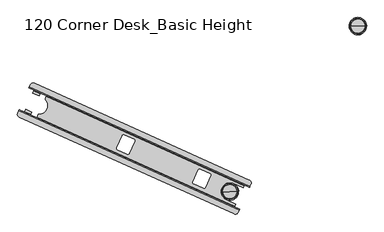
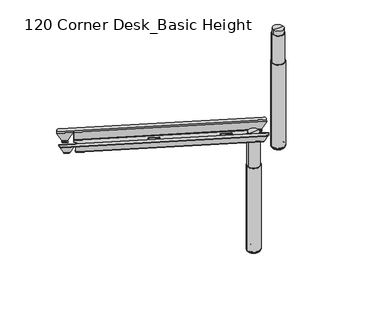
"""IFC4 building model written with IfcOpenShell, lengths in millimetres: furniture geometry, 120 Corner Desk_Basic Height."""

from ifc_helpers import new_model, si_unit, point, frame, origin, place, context, project, spatial, polyline, circle_curve, ellipse_curve, trimmed, source, transform, mapped, element, save
from ifc_brep_helpers import plane_surface, cylinder_surface, revolved_surface, advanced_brep


def furniture_120_corner_desk_basic_height_876c8990(model_context):
    return source(origin(), model_context, "Body", "AdvancedBrep", [
        advanced_brep(
        [(152.5074681, -221.3662878, 698.6714043), (156.1827463, -213.208009, 698.6714043), (156.1827463, -213.208009, 695.6719265), (152.5074681, -221.3662878, 695.6719265), (151.6728418, -223.2189677, 693.6399265), (151.6728418, -223.2189677, 689.0971902), (150.4453506, -225.943718, 689.0971902), (150.4453506, -225.943718, 693.6399265), (110.4369016, -314.7533439, 693.6399265), (110.4369016, -314.7533439, 689.0971902), (109.2094105, -317.4780942, 689.0971902), (109.2094105, -317.4780942, 693.6399265), (108.3747841, -319.3307741, 695.6719265), (104.6994573, -327.489161, 695.6719265), (104.6994573, -327.489161, 698.6714043), (108.3747841, -319.3307741, 698.6714043), (1048.6649841, -625.0823475, 695.6719265), (1052.3402623, -616.9240687, 695.6719265), (1052.3402623, -616.9240687, 698.6714043), (1048.6649841, -625.0823475, 698.6714043), (1046.6028666, -629.6597777, 693.6399265), (1046.6028666, -629.6597777, 689.0971902), (1047.8303578, -626.9350274, 689.0971902), (1047.8303578, -626.9350274, 693.6399265), (1005.3669265, -721.1941539, 693.6399265), (1005.3669265, -721.1941539, 689.0971902), (1006.5944177, -718.4694036, 689.0971902), (1006.5944177, -718.4694036, 693.6399265), (1004.5323002, -723.0468338, 698.6714043), (1000.8569733, -731.2052207, 698.6714043), (1000.8569733, -731.2052207, 695.6719265), (1004.5323002, -723.0468338, 695.6719265), (172.9784101, -206.8451738, 695.6719265), (1045.8964031, -600.0919036, 695.6719265), (224.2841767, -253.7014626, 695.6719265), (226.0440324, -249.7949849, 695.6719265), (225.2879288, -249.4543627, 695.6719265), (223.5280731, -253.3608404, 695.6719265), (179.3953854, -351.325325, 695.6719265), (177.635481, -355.2319108, 695.6719265), (178.3915846, -355.5725331, 695.6719265), (180.151489, -351.6659473, 695.6719265), (984.0613093, -737.5680558, 695.6719265), (111.0622924, -344.284825, 695.6719265), (111.0622924, -344.284825, 698.6714043), (984.0613093, -737.5680558, 698.6714043), (1045.8964031, -600.0919036, 698.6714043), (172.9784101, -206.8451738, 698.6714043), (220.3849808, -257.451295, 693.6399265), (222.7856715, -257.0278019, 697.0932388), (222.222059, -258.2788928, 693.6399265), (170.3627419, -234.9164383, 651.2602168), (197.8400055, -247.2948566, 651.2602168), (222.222059, -258.2788928, 651.2602168), (1026.6854753, -620.6870574, 651.2602168), (170.832117, -235.3746213, 650.1930164), (170.1185421, -237.657556, 648.6513268), (195.9353789, -249.2879574, 648.6513268), (197.1799507, -247.2441877, 650.1931133), (221.1543278, -260.6490122, 648.6513268), (1024.7942127, -622.6861787, 648.6513268), (1026.0313015, -620.6390853, 650.1930164), (166.0339233, -246.7244777, 648.6513268), (191.8507602, -258.354878, 648.6513268), (162.1469247, -324.290607, 648.6513268), (136.3300903, -312.6602079, 648.6513268), (132.2455555, -321.7269429, 648.6513268), (158.0623891, -333.3573428, 648.6513268), (183.2813379, -344.7183976, 648.6513268), (986.9212261, -706.7555655, 648.6513268), (991.0057609, -697.6888306, 648.6513268), (951.4849425, -679.884828, 648.6513268), (981.188778, -613.949099, 648.6513268), (1020.7095939, -631.7531004, 648.6513268), (216.1211192, -271.8215854, 648.6513268), (188.3144634, -333.546009, 648.6513268), (557.470799, -491.9835454, 648.6513268), (550.7525333, -494.5286792, 648.6513268), (509.9197479, -476.1336397, 648.6513268), (507.3746141, -469.415374, 648.6513268), (529.8219375, -419.5874441, 648.6513268), (536.5402032, -417.0423104, 648.6513268), (577.3729886, -435.4373499, 648.6513268), (579.9181224, -442.1556156, 648.6513268), (866.7635816, -631.3189569, 648.6513268), (860.0453159, -633.8640907, 648.6513268), (819.2125305, -615.4690512, 648.6513268), (816.6673967, -608.7507855, 648.6513268), (839.11472, -558.9228556, 648.6513268), (845.8329857, -556.3777218, 648.6513268), (886.6657712, -574.7727613, 648.6513268), (889.210905, -581.491027, 648.6513268), (157.3562616, -335.6436799, 650.1931133), (131.0084668, -323.7740363, 650.1930164), (130.3542929, -323.7260642, 651.2602168), (157.8315531, -336.1044809, 651.2602168), (182.2136067, -347.0885171, 651.2602168), (986.6770264, -709.4966833, 651.2602168), (986.2076512, -709.0385003, 650.1930164), (182.2136067, -347.0885171, 693.6399265), (180.3765285, -346.2609193, 693.6399265), (181.6499943, -348.339608, 697.0932388), (180.9861154, -349.8132674, 693.6399265), (179.1490372, -348.9856696, 693.6399265), (129.1268017, -326.4508144, 651.2602168), (156.6040618, -338.8292312, 651.2602168), (180.9861154, -349.8132674, 651.2602168), (985.4495352, -712.2214336, 651.2602168), (129.7308226, -326.6101148, 650.1930164), (132.751366, -321.9548089, 645.6722168), (157.5421859, -333.122993, 645.6722168), (156.0786273, -338.4797362, 650.1931133), (183.2813379, -344.7183976, 645.6722168), (986.4154157, -706.5276996, 645.6722168), (984.9300071, -711.8745787, 650.1930164), (136.8359008, -312.8880739, 645.6722168), (161.6267214, -324.0562572, 645.6722168), (191.3305569, -258.1205281, 645.6722168), (166.5397337, -246.9523437, 645.6722168), (170.6243526, -237.885422, 645.6722168), (195.4151757, -249.0536076, 645.6722168), (221.1543278, -260.6490122, 645.6722168), (1024.2884023, -622.4583127, 645.6722168), (1020.2037834, -631.5252344, 645.6722168), (981.188778, -613.949099, 645.6722168), (951.4849425, -679.884828, 645.6722168), (990.4999504, -697.4609646, 645.6722168), (188.3144634, -333.546009, 645.6722168), (216.1211192, -271.8215854, 645.6722168), (579.9181224, -442.1556156, 645.6722168), (577.3729886, -435.4373499, 645.6722168), (536.5402032, -417.0423104, 645.6722168), (529.8219375, -419.5874441, 645.6722168), (507.3746141, -469.415374, 645.6722168), (509.9197479, -476.1336397, 645.6722168), (550.7525333, -494.5286792, 645.6722168), (557.470799, -491.9835454, 645.6722168), (889.210905, -581.491027, 645.6722168), (886.6657712, -574.7727613, 645.6722168), (845.8329857, -556.3777218, 645.6722168), (839.11472, -558.9228556, 645.6722168), (816.6673967, -608.7507855, 645.6722168), (819.2125305, -615.4690512, 645.6722168), (860.0453159, -633.8640907, 645.6722168), (866.7635816, -631.3189569, 645.6722168), (198.457585, -244.4081315, 650.1931133), (172.1097612, -232.5385429, 650.1930164), (171.590233, -232.191688, 651.2602168), (199.0674967, -244.5701063, 651.2602168), (223.4495503, -255.5541425, 651.2602168), (1027.9129665, -617.9623071, 651.2602168), (1027.3089457, -617.8030068, 650.1930164), (223.4495503, -255.5541425, 693.6399265), (221.6124721, -254.7265447, 693.6399265), (178.3915846, -355.5725331, 697.0932388), (226.0440324, -249.7949849, 697.0932388)],
        [
            (0, 1),
            (1, 2),
            (2, 3),
            (3, 4, circle_curve(frame((152.5074681, -221.3662878, 693.6399265), z_axis=(0.9117519339151808, -0.4107412944931736, 0.0), x_axis=(0.4107412944931736, 0.9117519339151808, 0.0)), 2.032)),
            (4, 5),
            (5, 6),
            (6, 7),
            (7, 0, circle_curve(frame((152.5119912, -221.3562474, 693.6399265), z_axis=(-0.9117519339151808, 0.4107412944931736, 0.0), x_axis=(0.4107412944931736, 0.9117519339151808, 0.0)), 5.0314898)),
            (8, 9),
            (9, 10),
            (10, 11),
            (11, 12, circle_curve(frame((108.3747841, -319.3307741, 693.6399265), z_axis=(0.9117519339151808, -0.4107412944931736, 0.0), x_axis=(0.4107412944931736, 0.9117519339151808, 0.0)), 2.032)),
            (12, 13),
            (13, 14),
            (14, 15),
            (15, 8, circle_curve(frame((108.370261, -319.3408145, 693.6399265), z_axis=(-0.9117519339151808, 0.4107412944931736, 0.0), x_axis=(0.4107412944931736, 0.9117519339151808, 0.0)), 5.0314898)),
            (16, 17),
            (17, 18),
            (18, 19),
            (19, 20, circle_curve(frame((1048.6695073, -625.0723071, 693.6399265), z_axis=(0.9117519339151808, -0.4107412944931736, 0.0), x_axis=(0.4107412944931736, 0.9117519339151808, 0.0)), 5.0314898)),
            (20, 21),
            (21, 22),
            (22, 23),
            (23, 16, circle_curve(frame((1048.6649841, -625.0823475, 693.6399265), z_axis=(-0.9117519339151808, 0.4107412944931736, 0.0), x_axis=(0.4107412944931736, 0.9117519339151808, 0.0)), 2.032)),
            (24, 25),
            (25, 26),
            (26, 27),
            (27, 28, circle_curve(frame((1004.527777, -723.0568742, 693.6399265), z_axis=(0.9117519339151808, -0.4107412944931736, 0.0), x_axis=(0.4107412944931736, 0.9117519339151808, 0.0)), 5.0314898)),
            (28, 29),
            (29, 30),
            (30, 31),
            (31, 24, circle_curve(frame((1004.5323002, -723.0468338, 693.6399265), z_axis=(-0.9117519339151808, 0.4107412944931736, 0.0), x_axis=(0.4107412944931736, 0.9117519339151808, 0.0)), 2.032)),
            (2, 32, circle_curve(frame((167.7619957, -218.4244233, 695.6719265), z_axis=(0.0, 0.0, -1.0), x_axis=(0.9968812328975415, 0.07891645897199012, 0.0)), 12.7)),
            (32, 33),
            (33, 17, circle_curve(frame((1040.6799887, -611.6711532, 695.6719265), z_axis=(0.0, 0.0, -1.0), x_axis=(0.9968812328975415, 0.07891645897199012, 0.0)), 12.7)),
            (16, 34),
            (34, 35),
            (35, 36),
            (36, 37),
            (37, 3),
            (38, 39),
            (39, 40),
            (40, 41),
            (41, 31),
            (30, 42, circle_curve(frame((989.2777237, -725.9888062, 695.6719265), z_axis=(0.0, 0.0, -1.0), x_axis=(0.9968812328975419, 0.07891645897198368, 0.0)), 12.7)),
            (42, 43),
            (43, 13, circle_curve(frame((116.2787068, -332.7055754, 695.6719265), z_axis=(0.0, 0.0, -1.0), x_axis=(0.9968812328975419, 0.07891645897198368, 0.0)), 12.7)),
            (12, 38),
            (14, 44, circle_curve(frame((116.2787068, -332.7055754, 698.6714043), z_axis=(0.0, 0.0, 1.0), x_axis=(0.9968812328975419, 0.07891645897198368, 0.0)), 12.7)),
            (44, 45),
            (45, 29, circle_curve(frame((989.2777237, -725.9888062, 698.6714043), z_axis=(0.0, 0.0, 1.0), x_axis=(0.9968812328975419, 0.07891645897198368, 0.0)), 12.7)),
            (28, 15),
            (18, 46, circle_curve(frame((1040.6799887, -611.6711532, 698.6714043), z_axis=(0.0, 0.0, 1.0), x_axis=(0.9968812328975415, 0.07891645897199012, 0.0)), 12.7)),
            (46, 47),
            (47, 1, circle_curve(frame((167.7619957, -218.4244233, 698.6714043), z_axis=(0.0, 0.0, 1.0), x_axis=(0.9968812328975415, 0.07891645897199012, 0.0)), 12.7)),
            (0, 19),
            (7, 48),
            (48, 49, ellipse_curve(frame((222.4516216, -252.8638245, 693.6399265), z_axis=(-0.7875068062240813, 0.3547693028906139, 0.5039561209840149), x_axis=(-0.4594829911420227, 0.2069955379433077, -0.8637292562619033)), 5.825309, 5.0314898)),
            (49, 50, circle_curve(frame((224.2886997, -253.6914222, 693.6399265), z_axis=(0.9117519339151808, -0.4107412944931736, 0.0), x_axis=(0.4107412944931736, 0.9117519339151808, 0.0)), 5.0314898)),
            (50, 20),
            (6, 51),
            (51, 52),
            (52, 48),
            (50, 53),
            (53, 54),
            (54, 21),
            (51, 55, ellipse_curve(frame((169.2999329, -237.2887753, 651.250866), z_axis=(-0.7896003367201478, 0.3557123954143953, -0.4999999999999821), x_axis=(0.45587596695757215, -0.20537064724658396, -0.866025403784449)), 3.0016893, 2.5995392)),
            (55, 56, ellipse_curve(frame((169.6771774, -237.4587227, 651.250866), z_axis=(-0.8963428695003585, 0.4037995608601031, -0.18307204850837175), x_axis=(0.16691629427331295, -0.07519525018986079, -0.9830994990614881)), 2.6442279, 2.5995392)),
            (56, 57),
            (57, 58, ellipse_curve(frame((196.3893027, -249.4924486, 651.250866), z_axis=(0.8954771252473509, -0.40340958702533053, -0.1880995036006008), x_axis=(0.1715001666378758, -0.07726005499618337, 0.9821499767067999)), 2.6467843, 2.5995392)),
            (58, 52, ellipse_curve(frame((196.7672998, -249.6627351, 651.250866), z_axis=(0.7875068062240813, -0.3547693028906139, -0.5039561209840149), x_axis=(0.4594829911420227, -0.2069955379433077, 0.8637292562619033)), 3.009669, 2.5995392)),
            (59, 60),
            (60, 61, ellipse_curve(frame((1025.2355775, -622.8850121, 651.250866), z_axis=(0.896342869500359, -0.4037995608601001, -0.1830720485083751), x_axis=(0.16691629427331048, -0.075195250189877, 0.9830994990614875)), 2.6442279, 2.5995392)),
            (61, 54, ellipse_curve(frame((1025.6128219, -623.0549595, 651.250866), z_axis=(0.789600336720151, -0.3557123954143941, -0.49999999999997835), x_axis=(0.4558759669575663, -0.20537064724658588, 0.8660254037844516)), 3.0016893, 2.5995392)),
            (53, 59, circle_curve(frame((221.1543279, -260.6490123, 651.250866), z_axis=(-0.9117519339151808, 0.4107412944931736, 0.0), x_axis=(0.4107412944931736, 0.9117519339151808, 0.0)), 2.5995392)),
            (56, 62),
            (62, 63),
            (63, 57),
            (64, 65),
            (65, 66),
            (66, 67),
            (67, 64),
            (68, 69),
            (69, 70),
            (70, 71),
            (71, 72, circle_curve(frame((966.3368603, -646.9169635, 648.6513268), z_axis=(0.0, 0.0, -1.0), x_axis=(0.9968812328975419, 0.07891645897198368, 0.0)), 36.1588101)),
            (72, 73),
            (73, 60),
            (59, 74),
            (74, 75, circle_curve(frame((190.6245185, -297.4610649, 648.6513268), z_axis=(0.0, 0.0, -1.0), x_axis=(-0.6014092278380982, 0.7989411371754384, 0.0)), 36.1588101)),
            (75, 68),
            (76, 77, circle_curve(frame((552.8390992, -489.8969795, 648.6513268), z_axis=(0.0, 0.0, -1.0), x_axis=(0.9968812328975419, 0.07891645897198368, 0.0)), 5.08)),
            (77, 78),
            (78, 79, circle_curve(frame((512.0063138, -471.50194, 648.6513268), z_axis=(0.0, 0.0, -1.0), x_axis=(0.9968812328975419, 0.07891645897198368, 0.0)), 5.08)),
            (79, 80),
            (80, 81, circle_curve(frame((534.4536372, -421.6740101, 648.6513268), z_axis=(0.0, 0.0, -1.0), x_axis=(0.9968812328975419, 0.07891645897198368, 0.0)), 5.08)),
            (81, 82),
            (82, 83, circle_curve(frame((575.2864226, -440.0690496, 648.6513268), z_axis=(0.0, 0.0, -1.0), x_axis=(0.9968812328975419, 0.07891645897198368, 0.0)), 5.08)),
            (83, 76),
            (84, 85, circle_curve(frame((862.1318818, -629.2323909, 648.6513268), z_axis=(0.0, 0.0, -1.0), x_axis=(0.9968812328975419, 0.07891645897198368, 0.0)), 5.08)),
            (85, 86),
            (86, 87, circle_curve(frame((821.2990964, -610.8373514, 648.6513268), z_axis=(0.0, 0.0, -1.0), x_axis=(0.9968812328975419, 0.07891645897198368, 0.0)), 5.08)),
            (87, 88),
            (88, 89, circle_curve(frame((843.7464198, -561.0094216, 648.6513268), z_axis=(0.0, 0.0, -1.0), x_axis=(0.9968812328975419, 0.07891645897198368, 0.0)), 5.08)),
            (89, 90),
            (90, 91, circle_curve(frame((884.5792052, -579.4044611, 648.6513268), z_axis=(0.0, 0.0, -1.0), x_axis=(0.9968812328975419, 0.07891645897198368, 0.0)), 5.08)),
            (91, 84),
            (92, 67, ellipse_curve(frame((158.5163129, -333.561834, 651.250866), z_axis=(0.8954771252473509, -0.40340958702533053, -0.1880995036006008), x_axis=(0.1715001666378758, -0.07726005499618337, 0.9821499767067999)), 2.6467843, 2.5995392)),
            (66, 93, ellipse_curve(frame((131.8041908, -321.5281095, 651.250866), z_axis=(-0.8963428695003585, 0.4037995608601031, -0.18307204850837175), x_axis=(0.16691629427331295, -0.07519525018986079, -0.9830994990614881)), 2.6442279, 2.5995392)),
            (93, 94, ellipse_curve(frame((131.4269463, -321.3581621, 651.250866), z_axis=(-0.7896003367201478, 0.3557123954143953, -0.4999999999999821), x_axis=(0.45587596695757215, -0.20537064724658396, -0.866025403784449)), 3.0016893, 2.5995392)),
            (94, 95),
            (95, 92, ellipse_curve(frame((158.89431, -333.7321205, 651.250866), z_axis=(0.7875068062240813, -0.3547693028906139, -0.5039561209840149), x_axis=(0.4594829911420227, -0.2069955379433077, 0.8637292562619033)), 3.009669, 2.5995392)),
            (96, 97),
            (97, 98, ellipse_curve(frame((987.7398353, -707.1243463, 651.250866), z_axis=(0.789600336720151, -0.3557123954143941, -0.49999999999997835), x_axis=(0.4558759669575663, -0.20537064724658588, 0.8660254037844516)), 3.0016893, 2.5995392)),
            (98, 69, ellipse_curve(frame((987.3625908, -706.9543989, 651.250866), z_axis=(0.896342869500359, -0.4037995608601001, -0.1830720485083751), x_axis=(0.16691629427331048, -0.075195250189877, 0.9830994990614875)), 2.6442279, 2.5995392)),
            (68, 96, circle_curve(frame((183.2813379, -344.7183976, 651.250866), z_axis=(-0.9117519339151808, 0.4107412944931736, 0.0), x_axis=(0.4107412944931736, 0.9117519339151808, 0.0)), 2.5995392)),
            (26, 97),
            (96, 99),
            (99, 27),
            (100, 95),
            (94, 9),
            (8, 100),
            (99, 101, circle_curve(frame((180.146966, -351.6759877, 693.6399265), z_axis=(0.9117519339151808, -0.4107412944931736, 0.0), x_axis=(0.4107412944931736, 0.9117519339151808, 0.0)), 5.0314898)),
            (101, 100, ellipse_curve(frame((178.3098876, -350.8483898, 693.6399265), z_axis=(-0.7875068062240813, 0.3547693028906139, 0.5039561209840149), x_axis=(-0.4594829911420227, 0.2069955379433077, -0.8637292562619033)), 5.825309, 5.0314898)),
            (41, 102, circle_curve(frame((180.151489, -351.6659473, 693.6399265), z_axis=(-0.9117519339151808, 0.4107412944931736, 0.0), x_axis=(0.4107412944931736, 0.9117519339151808, 0.0)), 2.032)),
            (102, 24),
            (11, 103),
            (103, 38, ellipse_curve(frame((178.3144108, -350.8383495, 693.6399265), z_axis=(0.7875068062240813, -0.3547693028906139, -0.5039561209840149), x_axis=(0.4594829911420227, -0.2069955379433077, 0.8637292562619033)), 2.3525891, 2.032)),
            (10, 104),
            (104, 105),
            (105, 103),
            (102, 106),
            (106, 107),
            (107, 25),
            (104, 108, ellipse_curve(frame((131.4220241, -321.3559446, 651.2602168), z_axis=(0.7896003367201478, -0.3557123954143953, 0.4999999999999821), x_axis=(-0.45587596695757215, 0.20537064724658396, 0.866025403784449)), 6.4524666, 5.588)),
            (108, 109, ellipse_curve(frame((131.8026032, -321.5273943, 651.2602168), z_axis=(0.8963428695003585, -0.4037995608601031, 0.18307204850837175), x_axis=(-0.16691629427331295, 0.07519525018986079, 0.9830994990614881)), 5.6840635, 5.588)),
            (109, 110),
            (110, 111, ellipse_curve(frame((158.5179457, -333.5625696, 651.2602168), z_axis=(-0.8954771252473509, 0.40340958702533053, 0.1880995036006008), x_axis=(-0.1715001666378758, 0.07726005499618337, -0.9821499767067999)), 5.6895588, 5.588)),
            (111, 105, ellipse_curve(frame((158.8992844, -333.7343614, 651.2602168), z_axis=(-0.7875068062240813, 0.3547693028906139, 0.5039561209840149), x_axis=(-0.4594829911420227, 0.2069955379433077, -0.8637292562619033)), 6.4696199, 5.588)),
            (112, 113),
            (113, 114, ellipse_curve(frame((987.3641785, -706.9551141, 651.2602168), z_axis=(-0.896342869500359, 0.4037995608601001, 0.1830720485083751), x_axis=(-0.16691629427331048, 0.075195250189877, -0.9830994990614875)), 5.6840635, 5.588)),
            (114, 107, ellipse_curve(frame((987.7447576, -707.1265638, 651.2602168), z_axis=(-0.789600336720151, 0.3557123954143941, 0.49999999999997835), x_axis=(-0.4558759669575663, 0.20537064724658588, -0.8660254037844516)), 6.4524666, 5.588)),
            (106, 112, circle_curve(frame((183.2813378, -344.7183976, 651.2602168), z_axis=(0.9117519339151808, -0.4107412944931736, 0.0), x_axis=(0.4107412944931736, 0.9117519339151808, 0.0)), 5.588)),
            (109, 115),
            (115, 116),
            (116, 110),
            (117, 118),
            (118, 119),
            (119, 120),
            (120, 117),
            (121, 122),
            (122, 123),
            (123, 124),
            (124, 125, circle_curve(frame((966.3368603, -646.9169635, 645.6722168), z_axis=(0.0, 0.0, 1.0), x_axis=(0.9968812328975419, 0.07891645897198368, 0.0)), 36.1588101)),
            (125, 126),
            (126, 113),
            (112, 127),
            (127, 128, circle_curve(frame((190.6245185, -297.4610649, 645.6722168), z_axis=(0.0, 0.0, 1.0), x_axis=(-0.6014092278380982, 0.7989411371754384, 0.0)), 36.1588101)),
            (128, 121),
            (129, 130, circle_curve(frame((575.2864226, -440.0690496, 645.6722168), z_axis=(0.0, 0.0, 1.0), x_axis=(0.9968812328975419, 0.07891645897198368, 0.0)), 5.08)),
            (130, 131),
            (131, 132, circle_curve(frame((534.4536372, -421.6740101, 645.6722168), z_axis=(0.0, 0.0, 1.0), x_axis=(0.9968812328975419, 0.07891645897198368, 0.0)), 5.08)),
            (132, 133),
            (133, 134, circle_curve(frame((512.0063138, -471.50194, 645.6722168), z_axis=(0.0, 0.0, 1.0), x_axis=(0.9968812328975419, 0.07891645897198368, 0.0)), 5.08)),
            (134, 135),
            (135, 136, circle_curve(frame((552.8390992, -489.8969795, 645.6722168), z_axis=(0.0, 0.0, 1.0), x_axis=(0.9968812328975419, 0.07891645897198368, 0.0)), 5.08)),
            (136, 129),
            (137, 138, circle_curve(frame((884.5792052, -579.4044611, 645.6722168), z_axis=(0.0, 0.0, 1.0), x_axis=(0.9968812328975419, 0.07891645897198368, 0.0)), 5.08)),
            (138, 139),
            (139, 140, circle_curve(frame((843.7464198, -561.0094216, 645.6722168), z_axis=(0.0, 0.0, 1.0), x_axis=(0.9968812328975419, 0.07891645897198368, 0.0)), 5.08)),
            (140, 141),
            (141, 142, circle_curve(frame((821.2990964, -610.8373514, 645.6722168), z_axis=(0.0, 0.0, 1.0), x_axis=(0.9968812328975419, 0.07891645897198368, 0.0)), 5.08)),
            (142, 143),
            (143, 144, circle_curve(frame((862.1318818, -629.2323909, 645.6722168), z_axis=(0.0, 0.0, 1.0), x_axis=(0.9968812328975419, 0.07891645897198368, 0.0)), 5.08)),
            (144, 137),
            (145, 120, ellipse_curve(frame((196.3909355, -249.4931842, 651.2602168), z_axis=(-0.8954771252473509, 0.40340958702533053, 0.1880995036006008), x_axis=(-0.1715001666378758, 0.07726005499618337, -0.9821499767067999)), 5.6895588, 5.588)),
            (119, 146, ellipse_curve(frame((169.6755898, -237.4580074, 651.2602168), z_axis=(0.8963428695003585, -0.4037995608601031, 0.18307204850837175), x_axis=(-0.16691629427331295, 0.07519525018986079, 0.9830994990614881)), 5.6840635, 5.588)),
            (146, 147, ellipse_curve(frame((169.2950107, -237.2865578, 651.2602168), z_axis=(0.7896003367201478, -0.3557123954143953, 0.4999999999999821), x_axis=(-0.45587596695757215, 0.20537064724658396, 0.866025403784449)), 6.4524666, 5.588)),
            (147, 148),
            (148, 145, ellipse_curve(frame((196.7722742, -249.664976, 651.2602168), z_axis=(-0.7875068062240813, 0.3547693028906139, 0.5039561209840149), x_axis=(-0.4594829911420227, 0.2069955379433077, -0.8637292562619033)), 6.4696199, 5.588)),
            (149, 150),
            (150, 151, ellipse_curve(frame((1025.6177442, -623.0571769, 651.2602168), z_axis=(-0.789600336720151, 0.3557123954143941, 0.49999999999997835), x_axis=(-0.4558759669575663, 0.20537064724658588, -0.8660254037844516)), 6.4524666, 5.588)),
            (151, 122, ellipse_curve(frame((1025.2371651, -622.8857273, 651.2602168), z_axis=(-0.896342869500359, 0.4037995608601001, 0.1830720485083751), x_axis=(-0.16691629427331048, 0.075195250189877, -0.9830994990614875)), 5.6840635, 5.588)),
            (121, 149, circle_curve(frame((221.1543278, -260.6490122, 651.2602168), z_axis=(0.9117519339151808, -0.4107412944931736, 0.0), x_axis=(0.4107412944931736, 0.9117519339151808, 0.0)), 5.588)),
            (22, 150),
            (149, 152),
            (152, 23),
            (153, 148),
            (147, 5),
            (4, 153),
            (37, 153, ellipse_curve(frame((222.4470985, -252.8738648, 693.6399265), z_axis=(0.7875068062240813, -0.3547693028906139, -0.5039561209840149), x_axis=(0.4594829911420227, -0.2069955379433077, 0.8637292562619033)), 2.3525891, 2.032)),
            (152, 34, circle_curve(frame((224.2841766, -253.7014626, 693.6399265), z_axis=(-0.9117519339151808, 0.4107412944931736, 0.0), x_axis=(0.4107412944931736, 0.9117519339151808, 0.0)), 2.032)),
            (101, 154),
            (154, 39),
            (111, 92),
            (36, 155),
            (155, 49),
            (58, 145),
            (75, 127),
            (40, 154),
            (155, 35),
            (128, 74),
            (63, 117),
            (116, 64),
            (62, 118),
            (115, 65),
            (124, 72),
            (71, 125),
            (123, 73),
            (70, 126),
            (136, 76),
            (83, 129),
            (135, 77),
            (134, 78),
            (133, 79),
            (132, 80),
            (131, 81),
            (130, 82),
            (144, 84),
            (91, 137),
            (143, 85),
            (142, 86),
            (141, 87),
            (140, 88),
            (139, 89),
            (138, 90),
            (44, 43),
            (42, 45),
            (33, 46),
            (47, 32),
            (146, 55),
            (93, 108),
            (114, 98),
            (61, 151),
        ],
        [
            plane_surface(frame((154.2673237, -217.45981, 695.6719265), z_axis=(-0.9117519339151808, 0.41074129449317354, 0.0), x_axis=(0.41074129449317354, 0.9117519339151808, 0.0))),
            plane_surface(frame((1050.4248397, -621.1758697, 695.6719265), z_axis=(0.9117519339151808, -0.41074129449317354, 0.0), x_axis=(-0.41074129449317354, -0.9117519339151808, 0.0))),
            plane_surface(frame((152.5074681, -221.3662878, 695.6719265), z_axis=(0.0, 0.0, -1.0000000000000002), x_axis=(0.9117519339151808, -0.4107412944931735, 0.0))),
            plane_surface(frame((154.2673237, -217.45981, 698.6714043), z_axis=(2.893674971938622e-12, 6.423298039809931e-12, 1.0), x_axis=(0.9117519339151807, -0.41074129449317354, 0.0))),
            cylinder_surface(frame((1048.6695073, -625.0723071, 693.6399265), z_axis=(-0.9117519339151808, 0.4107412944931736, 0.0), x_axis=(0.4107412944931736, 0.9117519339151808, 0.0)), 5.0314898),
            plane_surface(frame((150.4453506, -225.943718, 693.6399265), z_axis=(-0.41074129449317354, -0.9117519339151807, 0.0), x_axis=(0.9117519339151807, -0.41074129449317354, 0.0))),
            revolved_surface(polyline([(199.21792954401644, -247.91558840851178, 651.250866), (168.99927301153707, -234.30218147149964, 651.250866)]), (1045.5351354, -632.0298972, 651.250866), (0.9117519339151808, -0.4107412944931736, 0.0)),
            revolved_surface(polyline([(1028.0489580211945, -621.3012834527241, 651.250866), (222.22206587599624, -258.2788773517232, 651.250866)]), (1045.5351354, -632.0298972, 651.250866), (0.9117519339151808, -0.4107412944931736, 0.0)),
            plane_surface(frame((149.3776194, -228.3138375, 648.6513268), z_axis=(0.0, 0.0, 1.0), x_axis=(0.9117519339151807, -0.4107412944931735, 0.0))),
            revolved_surface(polyline([(161.34493972214204, -331.9849738570677, 651.250866), (131.12628637408773, -318.3715683546288, 651.250866)]), (1007.6621488, -716.0992841, 651.250866), (0.9117519339151808, -0.4107412944931736, 0.0)),
            revolved_surface(polyline([(990.175971383745, -705.3706703358532, 651.250866), (184.34907593911055, -342.34826274846694, 651.250866)]), (1007.6621488, -716.0992841, 651.250866), (0.9117519339151808, -0.4107412944931736, 0.0)),
            plane_surface(frame((110.4369016, -314.7533439, 651.2602168), z_axis=(0.41074129449317365, 0.9117519339151807, 0.0), x_axis=(0.9117519339151807, -0.41074129449317365, 0.0))),
            cylinder_surface(frame((1004.527777, -723.0568742, 693.6399265), z_axis=(-0.9117519339151808, 0.4107412944931736, 0.0), x_axis=(0.4107412944931736, 0.9117519339151808, 0.0)), 5.0314898),
            revolved_surface(polyline([(1005.3669265128847, -721.194153871399, 693.6399265), (180.98611533592157, -349.8132673136541, 693.6399265)]), (1004.5323002, -723.0468338, 693.6399265), (0.9117519339151808, -0.4107412944931736, 0.0)),
            revolved_surface(polyline([(180.23001175101592, -349.47264509648863, 693.6399265), (109.20941043037578, -317.4780941259644, 693.6399265)]), (1004.5323002, -723.0468338, 693.6399265), (0.9117519339151808, -0.4107412944931736, 0.0)),
            plane_surface(frame((109.2094105, -317.4780942, 693.6399265), z_axis=(-0.4107412944931735, -0.9117519339151807, 0.0), x_axis=(0.9117519339151807, -0.4107412944931735, 0.0))),
            cylinder_surface(frame((1007.6621488, -716.0992841, 651.2602168), z_axis=(-0.9117519339151808, 0.4107412944931736, 0.0), x_axis=(0.4107412944931736, 0.9117519339151808, 0.0)), 5.588),
            plane_surface(frame((111.5046328, -312.3832244, 645.6722168), z_axis=(0.0, 0.0, -1.0), x_axis=(0.9117519339151807, -0.4107412944931735, 0.0))),
            cylinder_surface(frame((1045.5351354, -632.0298972, 651.2602168), z_axis=(-0.9117519339151808, 0.4107412944931736, 0.0), x_axis=(0.4107412944931736, 0.9117519339151808, 0.0)), 5.588),
            plane_surface(frame((151.6728418, -223.2189677, 651.2602168), z_axis=(0.41074129449317354, 0.9117519339151807, 0.0), x_axis=(0.9117519339151807, -0.41074129449317354, 0.0))),
            revolved_surface(polyline([(224.3626994091145, -251.50816048949986, 693.6399265), (153.34209441103064, -219.51360786229912, 693.6399265)]), (1048.6649841, -625.0823475, 693.6399265), (0.9117519339151808, -0.4107412944931736, 0.0)),
            revolved_surface(polyline([(1049.4996104104102, -623.2296675702843, 693.6399265), (225.1188029084168, -251.8487826681013, 693.6399265)]), (1048.6649841, -625.0823475, 693.6399265), (0.9117519339151808, -0.4107412944931736, 0.0)),
            plane_surface(frame((146.3100196, -360.1638138, 650.1931133), z_axis=(0.7875068062240815, -0.354769302890614, -0.503956120984015), x_axis=(0.41074132932118534, 0.9117519182252735, 0.0))),
            plane_surface(frame((171.2597458, -371.4035858, 697.0932388), z_axis=(-0.9117519182252735, 0.41074132932118534, 0.0), x_axis=(0.41074132932118534, 0.9117519182252735, 0.0))),
            plane_surface(frame((145.0746262, -359.607273, 643.1182388), z_axis=(0.8954771252473511, -0.40340958702533064, -0.18809950360060085), x_axis=(0.41074132932118534, 0.9117519182252735, 0.0))),
            revolved_surface(polyline([(168.87827643821456, -268.57230403979526, 648.6513268000001), (168.87827643821456, -268.57230403979526, 645.6722168000001)]), (190.6245185, -297.4610649, 485.9002831), (0.0, 0.0, 1.0000000000000002)),
            plane_surface(frame((164.9490596, -246.2357502, 672.2060139), z_axis=(-0.41074125966517006, -0.9117519496050828, 0.0), x_axis=(0.0, 0.0, -1.0))),
            plane_surface(frame((175.7726033, -330.4289305, 672.2060139), z_axis=(0.41074125966516717, 0.9117519496050841, 0.0), x_axis=(0.0, 0.0, -1.0))),
            revolved_surface(polyline([(1002.3828994925962, -644.0634382462675, 648.6513268), (1002.3828994925962, -644.0634382462675, 645.6722168)]), (966.3368603, -646.9169635, 485.9002831), (0.0, 0.0, 1.0)),
            plane_surface(frame((981.188778, -613.949099, 672.2060139), z_axis=(-0.4107413293211847, -0.9117519182252737, 0.0), x_axis=(0.0, 0.0, -1.0))),
            plane_surface(frame((992.0123153, -698.1422801, 672.2060139), z_axis=(0.4107413293211872, 0.9117519182252726, 0.0), x_axis=(0.0, 0.0, -1.0))),
            plane_surface(frame((579.9181224, -442.1556156, 672.2060139), z_axis=(-0.9117519182252732, 0.41074132932118573, 0.0), x_axis=(0.0, 0.0, -1.0))),
            revolved_surface(polyline([(557.9032558631195, -489.49608388842233, 648.6513268), (557.9032558631195, -489.49608388842233, 645.6722168)]), (552.8390992, -489.8969795, 0.0), (0.0, 0.0, 1.0)),
            plane_surface(frame((550.7525333, -494.5286792, 672.2060139), z_axis=(0.41074132932118756, 0.9117519182252724, 0.0), x_axis=(0.0, 0.0, -1.0))),
            revolved_surface(polyline([(517.0704704631196, -471.10104438842234, 648.6513268), (517.0704704631196, -471.10104438842234, 645.6722168)]), (512.0063138, -471.50194, 0.0), (0.0, 0.0, 1.0)),
            plane_surface(frame((507.3746141, -469.415374, 672.2060139), z_axis=(0.911751918225275, -0.41074132932118174, 0.0), x_axis=(0.0, 0.0, -1.0))),
            revolved_surface(polyline([(539.5177938631196, -421.2731144884223, 648.6513268), (539.5177938631196, -421.2731144884223, 645.6722168)]), (534.4536372, -421.6740101, 0.0), (0.0, 0.0, 1.0)),
            plane_surface(frame((536.5402032, -417.0423104, 672.2060139), z_axis=(-0.4107413293211845, -0.9117519182252738, 0.0), x_axis=(0.0, 0.0, -1.0))),
            revolved_surface(polyline([(580.3505792631196, -439.6681539884224, 648.6513268), (580.3505792631196, -439.6681539884224, 645.6722168)]), (575.2864226, -440.0690496, 0.0), (0.0, 0.0, 1.0)),
            plane_surface(frame((889.210905, -581.491027, 672.2060139), z_axis=(-0.9117519182252741, 0.41074132932118357, 0.0), x_axis=(0.0, 0.0, -1.0))),
            revolved_surface(polyline([(867.1960384631195, -628.8314952884224, 648.6513268), (867.1960384631195, -628.8314952884224, 645.6722168)]), (862.1318818, -629.2323909, 0.0), (0.0, 0.0, 1.0)),
            plane_surface(frame((860.0453159, -633.8640907, 672.2060139), z_axis=(0.4107413293211903, 0.9117519182252711, 0.0), x_axis=(0.0, 0.0, -1.0))),
            revolved_surface(polyline([(826.3632530631196, -610.4364557884223, 648.6513268), (826.3632530631196, -610.4364557884223, 645.6722168)]), (821.2990964, -610.8373514, 0.0), (0.0, 0.0, 1.0)),
            plane_surface(frame((816.6673967, -608.7507855, 672.2060139), z_axis=(0.911751918225276, -0.4107413293211797, 0.0), x_axis=(0.0, 0.0, -1.0))),
            revolved_surface(polyline([(848.8105764631196, -560.6085259884223, 648.6513268), (848.8105764631196, -560.6085259884223, 645.6722168)]), (843.7464198, -561.0094216, 0.0), (0.0, 0.0, 1.0)),
            plane_surface(frame((845.8329857, -556.3777218, 672.2060139), z_axis=(-0.4107413293211893, -0.9117519182252716, 0.0), x_axis=(0.0, 0.0, -1.0))),
            revolved_surface(polyline([(889.6433618631196, -579.0035654884224, 648.6513268), (889.6433618631196, -579.0035654884224, 645.6722168)]), (884.5792052, -579.4044611, 0.0), (0.0, 0.0, 1.0)),
            plane_surface(frame((984.0613093, -737.5680558, 698.6714043), z_axis=(-0.41074129449317365, -0.9117519339151807, 0.0), x_axis=(0.0, 0.0, -1.0))),
            cylinder_surface(frame((116.2787068, -332.7055754, 695.6719265), z_axis=(0.0, 0.0, 1.0), x_axis=(0.9968812328975419, 0.07891645897198368, 0.0)), 12.7),
            plane_surface(frame((106.6148799, -323.23736, 698.6714043), z_axis=(0.4107412944931748, 0.9117519339151802, 0.0), x_axis=(0.0, 0.0, -1.0))),
            cylinder_surface(frame((989.2777237, -725.9888062, 695.6719265), z_axis=(0.0, 0.0, 1.0), x_axis=(0.9968812328975419, 0.07891645897198368, 0.0)), 12.7),
            cylinder_surface(frame((1040.6799887, -611.6711532, 0.0), z_axis=(0.0, 0.0, 1.0000000000000002), x_axis=(0.9968812328975415, 0.07891645897199012, 0.0)), 12.7),
            plane_surface(frame((1050.3438157, -621.1393686, 698.6714043), z_axis=(-0.4107412944931659, -0.9117519339151843, 0.0), x_axis=(0.0, 0.0, -1.0))),
            cylinder_surface(frame((167.7619957, -218.4244233, 0.0), z_axis=(0.0, 0.0, 1.0000000000000002), x_axis=(0.9968812328975415, 0.07891645897199012, 0.0)), 12.7),
            plane_surface(frame((172.9784101, -206.8451738, 698.6714043), z_axis=(0.41074129449319224, 0.9117519339151723, 0.0), x_axis=(0.0, 0.0, -1.0))),
            plane_surface(frame((89.1551086, -348.5362653, 698.6714043), z_axis=(-0.7896003367201478, 0.3557123954143953, -0.4999999999999821), x_axis=(0.41074129449317054, 0.9117519339151821, 0.0))),
            plane_surface(frame((114.6741428, -360.0325077, 650.1930164), z_axis=(-0.8963428695003582, 0.403799560860103, -0.18307204850837172), x_axis=(0.41074129449317054, 0.9117519339151821, 0.0))),
            plane_surface(frame((969.8733273, -745.2969716, 650.1930164), z_axis=(0.7896003367201507, -0.35571239541439403, -0.49999999999997824), x_axis=(0.41074129449316804, 0.9117519339151832, 0.0))),
            plane_surface(frame((967.7534903, -744.3419919, 637.7076528), z_axis=(0.896342869500359, -0.4037995608601001, -0.1830720485083751), x_axis=(0.4107412944931678, 0.9117519339151834, 0.0))),
        ],
        [
            (0, [[1, 2, 3, 4, 5, 6, 7, 8]]),
            (0, [[9, 10, 11, 12, 13, 14, 15, 16]]),
            (1, [[17, 18, 19, 20, 21, 22, 23, 24]]),
            (1, [[25, 26, 27, 28, 29, 30, 31, 32]]),
            (2, [[-3, 33, 34, 35, -17, 36, 37, 38, 39, 40]]),
            (2, [[41, 42, 43, 44, -31, 45, 46, 47, -13, 48]]),
            (3, [[-15, 49, 50, 51, -29, 52]]),
            (3, [[-19, 53, 54, 55, -1, 56]]),
            (4, [[57, 58, 59, 60, -20, -56, -8]]),
            (5, [[-7, 61, 62, 63, -57]]),
            (5, [[64, 65, 66, -21, -60]]),
            (6, [[-62, 67, 68, 69, 70, 71]]),
            (7, [[72, 73, 74, -65, 75]]),
            (8, [[-69, 76, 77, 78]]),
            (8, [[79, 80, 81, 82]]),
            (8, [[83, 84, 85, 86, 87, 88, -72, 89, 90, 91], [92, 93, 94, 95, 96, 97, 98, 99], [100, 101, 102, 103, 104, 105, 106, 107]]),
            (9, [[108, -81, 109, 110, 111, 112]]),
            (10, [[113, 114, 115, -83, 116]]),
            (11, [[-27, 117, -113, 118, 119]]),
            (11, [[120, -111, 121, -9, 122]]),
            (12, [[-52, -28, -119, 123, 124, -122, -16]]),
            (13, [[-44, 125, 126, -32]]),
            (14, [[127, 128, -48, -12]]),
            (15, [[-11, 129, 130, 131, -127]]),
            (15, [[132, 133, 134, -25, -126]]),
            (16, [[-130, 135, 136, 137, 138, 139]]),
            (16, [[140, 141, 142, -133, 143]]),
            (17, [[-137, 144, 145, 146]]),
            (17, [[147, 148, 149, 150]]),
            (17, [[151, 152, 153, 154, 155, 156, -140, 157, 158, 159], [160, 161, 162, 163, 164, 165, 166, 167], [168, 169, 170, 171, 172, 173, 174, 175]]),
            (18, [[176, -149, 177, 178, 179, 180]]),
            (18, [[181, 182, 183, -151, 184]]),
            (19, [[-23, 185, -181, 186, 187]]),
            (19, [[188, -179, 189, -5, 190]]),
            (20, [[-40, 191, -190, -4]]),
            (21, [[-187, 192, -36, -24]]),
            (22, [[-112, -120, -124, 193, 194, -41, -128, -131, -139, 195]]),
            (22, [[-180, -188, -191, -39, 196, 197, -58, -63, -71, 198]]),
            (23, [[-123, -118, -116, -91, 199, -157, -143, -132, -125, -43, 200, -193]]),
            (23, [[201, -37, -192, -186, -184, -159, 202, -89, -75, -64, -59, -197]]),
            (24, [[-70, -78, 203, -150, -176, -198]]),
            (24, [[-138, -146, 204, -82, -108, -195]]),
            (25, [[-202, -158, -199, -90]]),
            (26, [[-77, 205, -147, -203]]),
            (27, [[-145, 206, -79, -204]]),
            (28, [[-154, 207, -86, 208]]),
            (29, [[-153, 209, -87, -207]]),
            (30, [[-85, 210, -155, -208]]),
            (31, [[-167, 211, -99, 212]]),
            (32, [[-166, 213, -92, -211]]),
            (33, [[-165, 214, -93, -213]]),
            (34, [[-164, 215, -94, -214]]),
            (35, [[-163, 216, -95, -215]]),
            (36, [[-162, 217, -96, -216]]),
            (37, [[-161, 218, -97, -217]]),
            (38, [[-98, -218, -160, -212]]),
            (39, [[-175, 219, -107, 220]]),
            (40, [[-174, 221, -100, -219]]),
            (41, [[-173, 222, -101, -221]]),
            (42, [[-172, 223, -102, -222]]),
            (43, [[-171, 224, -103, -223]]),
            (44, [[-170, 225, -104, -224]]),
            (45, [[-169, 226, -105, -225]]),
            (46, [[-106, -226, -168, -220]]),
            (47, [[227, -46, 228, -50]]),
            (48, [[-14, -47, -227, -49]]),
            (49, [[-194, -200, -42]]),
            (50, [[-228, -45, -30, -51]]),
            (51, [[-18, -35, 229, -53]]),
            (52, [[-201, -196, -38]]),
            (53, [[230, -33, -2, -55]]),
            (54, [[-229, -34, -230, -54]]),
            (55, [[-67, -61, -6, -189, -178, 231]]),
            (55, [[-135, -129, -10, -121, -110, 232]]),
            (56, [[-109, -80, -206, -144, -136, -232]]),
            (56, [[-177, -148, -205, -76, -68, -231]]),
            (57, [[-114, -117, -26, -134, -142, 233]]),
            (57, [[-182, -185, -22, -66, -74, 234]]),
            (58, [[-73, -88, -209, -152, -183, -234]]),
            (58, [[-141, -156, -210, -84, -115, -233]]),
        ],
    ),
        advanced_brep(
        [(994.9774914, -644.8127477, 672.2060139), (966.9097651, -647.034683, 672.2060139), (938.8420389, -649.2566182, 672.2060139), (994.9774914, -644.8127477, 647.7686974), (938.8420389, -649.2566182, 647.7686974), (998.0682141, -644.5680757, 647.7686974), (935.7513162, -649.5012902, 647.7686974), (998.0682141, -644.5680757, 485.9002831), (935.7513162, -649.5012902, 485.9002831), (1002.0927919, -644.2494767, 485.9002831), (931.7267384, -649.8198893, 485.9002831), (1002.0927919, -644.2494767, 10.2163535), (931.7267384, -649.8198893, 10.2163535), (1000.8288154, -644.3495373, 9.4693355), (932.9907148, -649.7198287, 9.4693355), (1001.6714402, -644.2828323, 8.8323857), (932.1480901, -649.7865337, 8.8323857), (993.5364315, -644.9268268, 0.0), (940.2830988, -649.1425391, 0.0), (966.9097651, -647.034683, 0.0)],
        [
            (0, 1),
            (1, 2),
            (2, 0, circle_curve(frame((966.9097651, -647.034683, 672.2060139), z_axis=(0.0, 0.0, 1.0), x_axis=(-0.9968812328975419, -0.07891645897198368, 0.0)), 28.1555368)),
            (0, 2, circle_curve(frame((966.9097651, -647.034683, 672.2060139), z_axis=(0.0, 0.0, 1.0), x_axis=(-0.9968812328975419, -0.07891645897198368, 0.0)), 28.1555368)),
            (3, 0),
            (2, 4),
            (4, 3, circle_curve(frame((966.9097651, -647.034683, 647.7686974), z_axis=(0.0, 0.0, 1.0), x_axis=(-0.9968812328975419, -0.07891645897198368, 0.0)), 28.1555368)),
            (3, 4, circle_curve(frame((966.9097651, -647.034683, 647.7686974), z_axis=(0.0, 0.0, 1.0), x_axis=(-0.9968812328975419, -0.07891645897198368, 0.0)), 28.1555368)),
            (5, 3),
            (4, 6),
            (6, 5, circle_curve(frame((966.9097651, -647.034683, 647.7686974), z_axis=(0.0, 0.0, 1.0), x_axis=(-0.9968812328975419, -0.07891645897198368, 0.0)), 31.2559289)),
            (5, 6, circle_curve(frame((966.9097651, -647.034683, 647.7686974), z_axis=(0.0, 0.0, 1.0), x_axis=(-0.9968812328975419, -0.07891645897198368, 0.0)), 31.2559289)),
            (7, 5),
            (6, 8),
            (8, 7, circle_curve(frame((966.9097651, -647.034683, 485.9002831), z_axis=(0.0, 0.0, 1.0), x_axis=(-0.9968812328975419, -0.07891645897198368, 0.0)), 31.2559289)),
            (7, 8, circle_curve(frame((966.9097651, -647.034683, 485.9002831), z_axis=(0.0, 0.0, 1.0), x_axis=(-0.9968812328975419, -0.07891645897198368, 0.0)), 31.2559289)),
            (9, 7),
            (8, 10),
            (10, 9, circle_curve(frame((966.9097651, -647.034683, 485.9002831), z_axis=(0.0, 0.0, 1.0), x_axis=(-0.9968812328975419, -0.07891645897198368, 0.0)), 35.2930977)),
            (9, 10, circle_curve(frame((966.9097651, -647.034683, 485.9002831), z_axis=(0.0, 0.0, 1.0), x_axis=(-0.9968812328975419, -0.07891645897198368, 0.0)), 35.2930977)),
            (11, 9),
            (10, 12),
            (12, 11, circle_curve(frame((966.9097651, -647.034683, 10.2163535), z_axis=(0.0, 0.0, 1.0), x_axis=(-0.9968812328975419, -0.07891645897198368, 0.0)), 35.2930977)),
            (11, 12, circle_curve(frame((966.9097651, -647.034683, 10.2163535), z_axis=(0.0, 0.0, 1.0), x_axis=(-0.9968812328975419, -0.07891645897198368, 0.0)), 35.2930977)),
            (13, 11, circle_curve(frame((1000.6410464, -644.3644017, 11.2385904), z_axis=(0.07891645897198046, -0.9968812328975422, 0.0), x_axis=(-0.9968812328975422, -0.07891645897198046, 0.0)), 1.7792529)),
            (12, 14, circle_curve(frame((933.1784838, -649.7049642, 11.2385904), z_axis=(0.07891645897198368, -0.9968812328975419, 0.0), x_axis=(0.9968812328975419, 0.07891645897198368, 0.0)), 1.7792529)),
            (14, 13, circle_curve(frame((966.9097651, -647.034683, 9.4693355), z_axis=(0.0, 0.0, 1.0), x_axis=(-0.9968812328975419, -0.07891645897198368, 0.0)), 34.0251669)),
            (13, 14, circle_curve(frame((966.9097651, -647.034683, 9.4693355), z_axis=(0.0, 0.0, 1.0), x_axis=(-0.9968812328975419, -0.07891645897198368, 0.0)), 34.0251669)),
            (15, 13, circle_curve(frame((1000.1352773, -644.4044401, 7.6667755), z_axis=(0.07891645897198046, -0.9968812328975422, 0.0), x_axis=(-0.9968812328975422, -0.07891645897198046, 0.0)), 1.9321573)),
            (14, 16, circle_curve(frame((933.6842529, -649.6649259, 7.6667755), z_axis=(0.07891645897198368, -0.9968812328975419, 0.0), x_axis=(0.9968812328975419, 0.07891645897198368, 0.0)), 1.9321573)),
            (16, 15, circle_curve(frame((966.9097651, -647.034683, 8.8323857), z_axis=(0.0, 0.0, 1.0), x_axis=(-0.9968812328975419, -0.07891645897198368, 0.0)), 34.8704278)),
            (15, 16, circle_curve(frame((966.9097651, -647.034683, 8.8323857), z_axis=(0.0, 0.0, 1.0), x_axis=(-0.9968812328975419, -0.07891645897198368, 0.0)), 34.8704278)),
            (17, 15, circle_curve(frame((993.5364315, -644.9268268, 8.1860178), z_axis=(0.07891645897198046, -0.9968812328975422, 0.0), x_axis=(-0.9968812328975422, -0.07891645897198046, 0.0)), 8.1860178)),
            (16, 18, circle_curve(frame((940.2830988, -649.1425391, 8.1860178), z_axis=(0.07891645897198368, -0.9968812328975419, 0.0), x_axis=(0.9968812328975419, 0.07891645897198368, 0.0)), 8.1860178)),
            (18, 17, circle_curve(frame((966.9097651, -647.034683, 0.0), z_axis=(0.0, 0.0, 1.0), x_axis=(-0.9968812328975419, -0.07891645897198368, 0.0)), 26.7099685)),
            (17, 18, circle_curve(frame((966.9097651, -647.034683, 0.0), z_axis=(0.0, 0.0, 1.0), x_axis=(-0.9968812328975419, -0.07891645897198368, 0.0)), 26.7099685)),
            (19, 17),
            (18, 19),
        ],
        [
            plane_surface(frame((966.9097651, -647.034683, 672.2060139), z_axis=(0.0, 0.0, 1.0), x_axis=(-0.9968812328975419, -0.07891645897198368, 0.0))),
            cylinder_surface(frame((966.9097651, -647.034683, -31.75), z_axis=(0.0, 0.0, -1.0), x_axis=(-0.9968812328975419, -0.07891645897198368, 0.0)), 28.1555368),
            plane_surface(frame((966.9097651, -647.034683, 647.7686974), z_axis=(0.0, 0.0, 1.0), x_axis=(-0.9968812328975419, -0.07891645897198368, 0.0))),
            cylinder_surface(frame((966.9097651, -647.034683, -31.75), z_axis=(0.0, 0.0, -1.0), x_axis=(-0.9968812328975419, -0.07891645897198368, 0.0)), 31.2559289),
            plane_surface(frame((966.9097651, -647.034683, 485.9002831), z_axis=(0.0, 0.0, 1.0), x_axis=(-0.9968812328975419, -0.07891645897198368, 0.0))),
            cylinder_surface(frame((966.9097651, -647.034683, -31.75), z_axis=(0.0, 0.0, -1.0), x_axis=(-0.9968812328975419, -0.07891645897198368, 0.0)), 35.2930977),
            revolved_surface(trimmed(ellipse_curve(frame((933.1784838, -649.7049642, 11.2385904), z_axis=(0.07891645897198368, -0.9968812328975419, 0.0), x_axis=(0.9968812328975419, 0.07891645897198368, 0.0)), 1.7792529, 1.7792529), [point((931.7267384, -649.8198893, 10.2163535))], [point((932.9907148, -649.7198287, 9.4693355))], True, "CARTESIAN"), (966.9097651, -647.034683, -31.75), (0.0, 0.0, -1.0)),
            revolved_surface(trimmed(ellipse_curve(frame((933.6842529, -649.6649259, 7.6667755), z_axis=(0.07891645897198368, -0.9968812328975419, 0.0), x_axis=(0.9968812328975419, 0.07891645897198368, 0.0)), 1.9321573, 1.9321573), [point((932.9907148, -649.7198287, 9.4693355))], [point((932.1480901, -649.7865337, 8.8323857))], True, "CARTESIAN"), (966.9097651, -647.034683, -31.75), (0.0, 0.0, -1.0)),
            revolved_surface(trimmed(ellipse_curve(frame((940.2830988, -649.1425391, 8.1860178), z_axis=(0.07891645897198368, -0.9968812328975419, 0.0), x_axis=(0.9968812328975419, 0.07891645897198368, 0.0)), 8.1860178, 8.1860178), [point((932.1480901, -649.7865337, 8.8323857))], [point((940.2830988, -649.1425391, 0.0))], True, "CARTESIAN"), (966.9097651, -647.034683, -31.75), (0.0, 0.0, -1.0)),
            plane_surface(frame((966.9097651, -647.034683, 0.0), z_axis=(0.0, 0.0, -1.0), x_axis=(-0.9968812328975419, -0.07891645897198368, 0.0))),
        ],
        [
            (0, [[1, 2, 3]]),
            (0, [[-2, -1, 4]]),
            (1, [[5, -3, 6, 7]]),
            (1, [[-6, -4, -5, 8]]),
            (2, [[9, -7, 10, 11]]),
            (2, [[-10, -8, -9, 12]]),
            (3, [[13, -11, 14, 15]]),
            (3, [[-14, -12, -13, 16]]),
            (4, [[17, -15, 18, 19]]),
            (4, [[-18, -16, -17, 20]]),
            (5, [[21, -19, 22, 23]]),
            (5, [[-22, -20, -21, 24]]),
            (6, [[25, -23, 26, 27]]),
            (6, [[-26, -24, -25, 28]]),
            (7, [[29, -27, 30, 31]]),
            (7, [[-30, -28, -29, 32]]),
            (8, [[33, -31, 34, 35]]),
            (8, [[-34, -32, -33, 36]]),
            (9, [[37, -35, 38]]),
            (9, [[-38, -36, -37]]),
        ],
    ),
        advanced_brep(
        [(1515.3684173, 26.5049946, 672.2060139), (1487.2371339, 25.3366006, 672.2060139), (1459.1058504, 24.1682067, 672.2060139), (1515.3684173, 26.5049946, 647.7686974), (1459.1058504, 24.1682067, 647.7686974), (1518.4661387, 26.6336542, 647.7686974), (1456.008129, 24.0395471, 647.7686974), (1518.4661387, 26.6336542, 485.9002831), (1456.008129, 24.0395471, 485.9002831), (1522.4998299, 26.8011879, 485.9002831), (1451.9744379, 23.8720133, 485.9002831), (1522.4998299, 26.8011879, 10.2163535), (1451.9744379, 23.8720133, 10.2163535), (1521.2329913, 26.7485715, 9.4693355), (1453.2412765, 23.9246297, 9.4693355), (1522.0775241, 26.783648, 8.8323857), (1452.3967437, 23.8895532, 8.8323857), (1513.9240943, 26.4450066, 0.0), (1460.5501735, 24.2281946, 0.0), (1487.2371339, 25.3366006, 0.0)],
        [
            (0, 1),
            (1, 2),
            (2, 0, circle_curve(frame((1487.2371339, 25.3366006, 672.2060139), z_axis=(0.0, 0.0, 1.0), x_axis=(-0.9991385936389272, -0.04149783971758993, 0.0)), 28.1555368)),
            (0, 2, circle_curve(frame((1487.2371339, 25.3366006, 672.2060139), z_axis=(0.0, 0.0, 1.0), x_axis=(-0.9991385936389272, -0.04149783971758993, 0.0)), 28.1555368)),
            (3, 0),
            (2, 4),
            (4, 3, circle_curve(frame((1487.2371339, 25.3366006, 647.7686974), z_axis=(0.0, 0.0, 1.0), x_axis=(-0.9991385936389272, -0.04149783971758993, 0.0)), 28.1555368)),
            (3, 4, circle_curve(frame((1487.2371339, 25.3366006, 647.7686974), z_axis=(0.0, 0.0, 1.0), x_axis=(-0.9991385936389272, -0.04149783971758993, 0.0)), 28.1555368)),
            (5, 3),
            (4, 6),
            (6, 5, circle_curve(frame((1487.2371339, 25.3366006, 647.7686974), z_axis=(0.0, 0.0, 1.0), x_axis=(-0.9991385936389272, -0.04149783971758993, 0.0)), 31.2559289)),
            (5, 6, circle_curve(frame((1487.2371339, 25.3366006, 647.7686974), z_axis=(0.0, 0.0, 1.0), x_axis=(-0.9991385936389272, -0.04149783971758993, 0.0)), 31.2559289)),
            (7, 5),
            (6, 8),
            (8, 7, circle_curve(frame((1487.2371339, 25.3366006, 485.9002831), z_axis=(0.0, 0.0, 1.0), x_axis=(-0.9991385936389272, -0.04149783971758993, 0.0)), 31.2559289)),
            (7, 8, circle_curve(frame((1487.2371339, 25.3366006, 485.9002831), z_axis=(0.0, 0.0, 1.0), x_axis=(-0.9991385936389272, -0.04149783971758993, 0.0)), 31.2559289)),
            (9, 7),
            (8, 10),
            (10, 9, circle_curve(frame((1487.2371339, 25.3366006, 485.9002831), z_axis=(0.0, 0.0, 1.0), x_axis=(-0.9991385936389272, -0.04149783971758993, 0.0)), 35.2930977)),
            (9, 10, circle_curve(frame((1487.2371339, 25.3366006, 485.9002831), z_axis=(0.0, 0.0, 1.0), x_axis=(-0.9991385936389272, -0.04149783971758993, 0.0)), 35.2930977)),
            (11, 9),
            (10, 12),
            (12, 11, circle_curve(frame((1487.2371339, 25.3366006, 10.2163535), z_axis=(0.0, 0.0, 1.0), x_axis=(-0.9991385936389272, -0.04149783971758993, 0.0)), 35.2930977)),
            (11, 12, circle_curve(frame((1487.2371339, 25.3366006, 10.2163535), z_axis=(0.0, 0.0, 1.0), x_axis=(-0.9991385936389272, -0.04149783971758993, 0.0)), 35.2930977)),
            (13, 11, circle_curve(frame((1521.0447971, 26.7407552, 11.2385904), z_axis=(0.04149783971758669, -0.9991385936389273, 0.0), x_axis=(-0.9991385936389273, -0.04149783971758669, 0.0)), 1.7792529)),
            (12, 14, circle_curve(frame((1453.4294707, 23.9324461, 11.2385904), z_axis=(0.04149783971758992, -0.9991385936389272, 0.0), x_axis=(0.9991385936389272, 0.04149783971758992, 0.0)), 1.7792529)),
            (14, 13, circle_curve(frame((1487.2371339, 25.3366006, 9.4693355), z_axis=(0.0, 0.0, 1.0), x_axis=(-0.9991385936389272, -0.04149783971758993, 0.0)), 34.0251669)),
            (13, 14, circle_curve(frame((1487.2371339, 25.3366006, 9.4693355), z_axis=(0.0, 0.0, 1.0), x_axis=(-0.9991385936389272, -0.04149783971758993, 0.0)), 34.0251669)),
            (15, 13, circle_curve(frame((1520.5378827, 26.7197012, 7.6667755), z_axis=(0.04149783971758669, -0.9991385936389273, 0.0), x_axis=(-0.9991385936389273, -0.04149783971758669, 0.0)), 1.9321573)),
            (14, 16, circle_curve(frame((1453.9363851, 23.9535001, 7.6667755), z_axis=(0.04149783971758992, -0.9991385936389272, 0.0), x_axis=(0.9991385936389272, 0.04149783971758992, 0.0)), 1.9321573)),
            (16, 15, circle_curve(frame((1487.2371339, 25.3366006, 8.8323857), z_axis=(0.0, 0.0, 1.0), x_axis=(-0.9991385936389272, -0.04149783971758993, 0.0)), 34.8704278)),
            (15, 16, circle_curve(frame((1487.2371339, 25.3366006, 8.8323857), z_axis=(0.0, 0.0, 1.0), x_axis=(-0.9991385936389272, -0.04149783971758993, 0.0)), 34.8704278)),
            (17, 15, circle_curve(frame((1513.9240943, 26.4450066, 8.1860178), z_axis=(0.04149783971758669, -0.9991385936389273, 0.0), x_axis=(-0.9991385936389273, -0.04149783971758669, 0.0)), 8.1860178)),
            (16, 18, circle_curve(frame((1460.5501735, 24.2281946, 8.1860178), z_axis=(0.04149783971758992, -0.9991385936389272, 0.0), x_axis=(0.9991385936389272, 0.04149783971758992, 0.0)), 8.1860178)),
            (18, 17, circle_curve(frame((1487.2371339, 25.3366006, 0.0), z_axis=(0.0, 0.0, 1.0), x_axis=(-0.9991385936389272, -0.04149783971758993, 0.0)), 26.7099685)),
            (17, 18, circle_curve(frame((1487.2371339, 25.3366006, 0.0), z_axis=(0.0, 0.0, 1.0), x_axis=(-0.9991385936389272, -0.04149783971758993, 0.0)), 26.7099685)),
            (19, 17),
            (18, 19),
        ],
        [
            plane_surface(frame((1487.2371339, 25.3366006, 672.2060139), z_axis=(0.0, 0.0, 1.0000000000000002), x_axis=(-0.9991385936389272, -0.04149783971758993, 0.0))),
            cylinder_surface(frame((1487.2371339, 25.3366006, -31.75), z_axis=(0.0, 0.0, -1.0), x_axis=(-0.9991385936389272, -0.04149783971758993, 0.0)), 28.1555368),
            plane_surface(frame((1487.2371339, 25.3366006, 647.7686974), z_axis=(0.0, 0.0, 1.0000000000000002), x_axis=(-0.9991385936389272, -0.04149783971758993, 0.0))),
            cylinder_surface(frame((1487.2371339, 25.3366006, -31.75), z_axis=(0.0, 0.0, -1.0), x_axis=(-0.9991385936389272, -0.04149783971758993, 0.0)), 31.2559289),
            plane_surface(frame((1487.2371339, 25.3366006, 485.9002831), z_axis=(0.0, 0.0, 1.0000000000000002), x_axis=(-0.9991385936389272, -0.04149783971758993, 0.0))),
            cylinder_surface(frame((1487.2371339, 25.3366006, -31.75), z_axis=(0.0, 0.0, -1.0), x_axis=(-0.9991385936389272, -0.04149783971758993, 0.0)), 35.2930977),
            revolved_surface(trimmed(ellipse_curve(frame((1453.4294707, 23.9324461, 11.2385904), z_axis=(0.04149783971758992, -0.9991385936389272, 0.0), x_axis=(0.9991385936389272, 0.04149783971758992, 0.0)), 1.7792529, 1.7792529), [point((1451.9744379, 23.8720133, 10.2163535))], [point((1453.2412765, 23.9246297, 9.4693355))], True, "CARTESIAN"), (1487.2371339, 25.3366006, -31.75), (0.0, 0.0, -1.0)),
            revolved_surface(trimmed(ellipse_curve(frame((1453.9363851, 23.9535001, 7.6667755), z_axis=(0.04149783971758992, -0.9991385936389272, 0.0), x_axis=(0.9991385936389272, 0.04149783971758992, 0.0)), 1.9321573, 1.9321573), [point((1453.2412765, 23.9246297, 9.4693355))], [point((1452.3967437, 23.8895532, 8.8323857))], True, "CARTESIAN"), (1487.2371339, 25.3366006, -31.75), (0.0, 0.0, -1.0)),
            revolved_surface(trimmed(ellipse_curve(frame((1460.5501735, 24.2281946, 8.1860178), z_axis=(0.04149783971758992, -0.9991385936389272, 0.0), x_axis=(0.9991385936389272, 0.04149783971758992, 0.0)), 8.1860178, 8.1860178), [point((1452.3967437, 23.8895532, 8.8323857))], [point((1460.5501735, 24.2281946, 0.0))], True, "CARTESIAN"), (1487.2371339, 25.3366006, -31.75), (0.0, 0.0, -1.0)),
            plane_surface(frame((1487.2371339, 25.3366006, 0.0), z_axis=(0.0, 0.0, -1.0000000000000002), x_axis=(-0.9991385936389272, -0.04149783971758993, 0.0))),
        ],
        [
            (0, [[1, 2, 3]]),
            (0, [[-2, -1, 4]]),
            (1, [[5, -3, 6, 7]]),
            (1, [[-6, -4, -5, 8]]),
            (2, [[9, -7, 10, 11]]),
            (2, [[-10, -8, -9, 12]]),
            (3, [[13, -11, 14, 15]]),
            (3, [[-14, -12, -13, 16]]),
            (4, [[17, -15, 18, 19]]),
            (4, [[-18, -16, -17, 20]]),
            (5, [[21, -19, 22, 23]]),
            (5, [[-22, -20, -21, 24]]),
            (6, [[25, -23, 26, 27]]),
            (6, [[-26, -24, -25, 28]]),
            (7, [[29, -27, 30, 31]]),
            (7, [[-30, -28, -29, 32]]),
            (8, [[33, -31, 34, 35]]),
            (8, [[-34, -32, -33, 36]]),
            (9, [[37, -35, 38]]),
            (9, [[-38, -36, -37]]),
        ],
    ),
    ])


if __name__ == "__main__":
    model = new_model("IFC4")
    model_context = context("Model", 3, world=origin())
    ifc_project = project(units=[si_unit("LENGTHUNIT", "METRE", prefix="MILLI")], contexts=[model_context])
    site = spatial("IfcSite", under=ifc_project)
    building = spatial("IfcBuilding", under=site)
    placement = place(None, origin())
    furniture_120_corner_desk_basic_height_shape = furniture_120_corner_desk_basic_height_876c8990(model_context)
    element("IfcFurniture", 1, ObjectType="120 Corner Desk_Basic Height", at=placement, inside=building, context=model_context, shape_type="MappedRepresentation", body=[
        mapped(furniture_120_corner_desk_basic_height_shape, transform((0.0, 0.0, 0.0), x_axis=(1.0, 0.0, 0.0), y_axis=(0.0, 1.0, 0.0), z_axis=(0.0, 0.0, 1.0))),
    ])
    save(model, "model.ifc")
